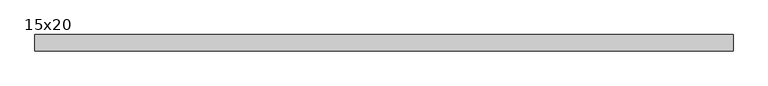
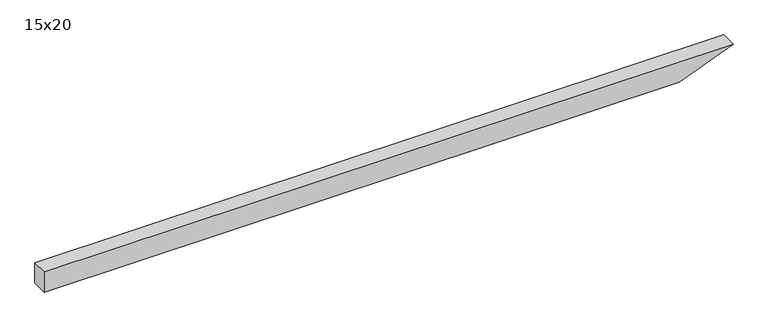
"""IFC4 building model written with IfcOpenShell, lengths in millimetres: beam geometry, 15x20."""

from ifc_helpers import new_model, si_unit, frame, origin, place, context, project, spatial, polyline, outline, extrude, source, transform, mapped, element, save


def beam_15x20_4993bd82(model_context):
    return source(origin(), model_context, "Body", "SweptSolid", [
        extrude(outline(polyline([(100.0, -3077.0), (-100.0, -3077.0), (-100.0, 2844.8), (100.0, 3347.0), (100.0, -3077.0)])), frame((0.0, -75.0, 0.0), z_axis=(0.0, 1.0, 0.0), x_axis=(0.0, 0.0, 1.0)), (0.0, 0.0, 1.0), 150.0),
    ])


if __name__ == "__main__":
    model = new_model("IFC4")
    model_context = context("Model", 3, world=origin())
    ifc_project = project(units=[si_unit("LENGTHUNIT", "METRE", prefix="MILLI")], contexts=[model_context])
    site = spatial("IfcSite", under=ifc_project)
    building = spatial("IfcBuilding", under=site)
    placement = place(None, origin())
    beam_15x20_shape = beam_15x20_4993bd82(model_context)
    element("IfcBeam", 1, ObjectType="15x20", at=placement, inside=building, context=model_context, shape_type="MappedRepresentation", body=[
        mapped(beam_15x20_shape, transform((0.0, 0.0, 0.0), x_axis=(1.0, 0.0, 0.0), y_axis=(0.0, 1.0, 0.0), z_axis=(0.0, 0.0, 1.0))),
    ])
    save(model, "model.ifc")
